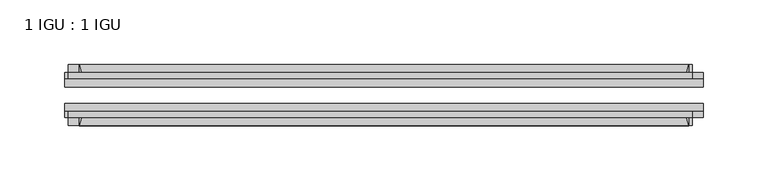
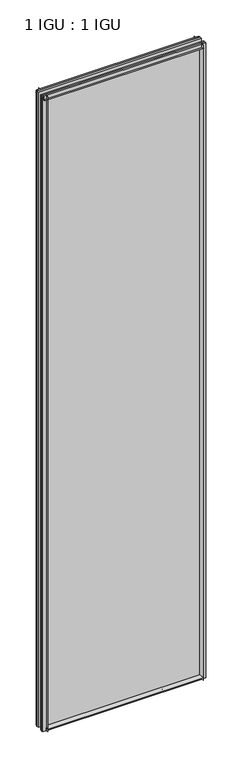
"""IFC4 building model written with IfcOpenShell, lengths in millimetres: plate geometry, 1 IGU : 1 IGU."""

from ifc_helpers import new_model, si_unit, point, frame, frame_2d, origin, place, context, project, spatial, polyline, circle_curve, trimmed, segment, composite_curve, outline, extrude, source, transform, mapped, element, save


def plate_1_igu_1_igu_47f07b1e(model_context):
    return source(origin(), model_context, "Body", "SweptSolid", [
        extrude(outline(composite_curve([segment(polyline([(-74.6252, -8.73125), (-74.6252, -0.0097454), (-80.6504332, -0.0097454)]), True, "CONTINUOUS"), segment(trimmed(circle_curve(frame_2d((-86.2258203, 32.2797688)), 32.7673262), [point((-80.6504332, -0.0097454))], [point((-69.85, 3.8979053))], True, "CARTESIAN"), True, "CONTINUOUS"), segment(polyline([(-69.85, 3.8979053), (-69.85, -8.73125), (-74.6252, -8.73125)]), True, "CONTINUOUS")], self_intersect=False)), frame((-234.95, 0.0, 0.0), z_axis=(1.0, 0.0, 0.0), x_axis=(0.0, 1.0, 0.0)), (0.0, 0.0, 1.0), 469.9),
        extrude(outline(composite_curve([segment(polyline([(-39.6748, -8.73125), (-44.45, -8.73125), (-44.45, 3.8979053)]), True, "CONTINUOUS"), segment(trimmed(circle_curve(frame_2d((-28.0741797, 32.2797688)), 32.7673262), [point((-44.45, 3.8979053))], [point((-33.6495668, -0.0097454))], True, "CARTESIAN"), True, "CONTINUOUS"), segment(polyline([(-33.6495668, -0.0097454), (-39.6748, -0.0097454), (-39.6748, -8.73125)]), True, "CONTINUOUS")], self_intersect=False)), frame((-234.95, 0.0, 0.0), z_axis=(1.0, 0.0, 0.0), x_axis=(0.0, 1.0, 0.0)), (0.0, 0.0, 1.0), 469.9),
        extrude(outline(composite_curve([segment(polyline([(-80.5942, 2008.98125), (-74.6252, 2008.98125), (-74.6252, 2020.09375), (-69.85, 2020.09375), (-69.85, 2005.0833595)]), True, "CONTINUOUS"), segment(trimmed(circle_curve(frame_2d((-86.2258203, 1976.701496)), 32.7673262), [point((-69.85, 2005.0833595))], [point((-80.5942, 2008.98125))], True, "CARTESIAN"), True, "CONTINUOUS")], self_intersect=False)), frame((-243.4627386, 0.0, 0.0), z_axis=(1.0, 0.0, 0.0), x_axis=(0.0, 1.0, 0.0)), (0.0, 0.0, 1.0), 480.9587001),
        extrude(outline(composite_curve([segment(polyline([(-39.6748, 2020.09375), (-39.6748, 2008.98125), (-33.7058, 2008.98125)]), True, "CONTINUOUS"), segment(trimmed(circle_curve(frame_2d((-28.0741797, 1976.701496)), 32.7673262), [point((-33.7058, 2008.98125))], [point((-44.45, 2005.0833595))], True, "CARTESIAN"), True, "CONTINUOUS"), segment(polyline([(-44.45, 2005.0833595), (-44.45, 2020.09375), (-39.6748, 2020.09375)]), True, "CONTINUOUS")], self_intersect=False)), frame((-243.4627386, 0.0, 0.0), z_axis=(1.0, 0.0, 0.0), x_axis=(0.0, 1.0, 0.0)), (0.0, 0.0, 1.0), 480.9587001),
        extrude(outline(composite_curve([segment(polyline([(246.0625, -39.6748), (246.0625, -44.45), (231.0521095, -44.45)]), True, "CONTINUOUS"), segment(trimmed(circle_curve(frame_2d((202.670246, -28.0741797)), 32.7673262), [point((231.0521095, -44.45))], [point((234.95, -33.7058))], True, "CARTESIAN"), True, "CONTINUOUS"), segment(polyline([(234.95, -33.7058), (234.95, -39.6748), (246.0625, -39.6748)]), True, "CONTINUOUS")], self_intersect=False)), frame((0.0, 0.0, -8.73125), z_axis=(0.0, 0.0, 1.0), x_axis=(1.0, 0.0, 0.0)), (0.0, 0.0, 1.0), 2028.825),
        extrude(outline(composite_curve([segment(polyline([(246.0625, -69.85), (246.0625, -74.6252), (234.95, -74.6252), (234.95, -80.5942)]), True, "CONTINUOUS"), segment(trimmed(circle_curve(frame_2d((202.670246, -86.2258203)), 32.7673262), [point((234.95, -80.5942))], [point((231.0521095, -69.85))], True, "CARTESIAN"), True, "CONTINUOUS"), segment(polyline([(231.0521095, -69.85), (246.0625, -69.85)]), True, "CONTINUOUS")], self_intersect=False)), frame((0.0, 0.0, -8.73125), z_axis=(0.0, 0.0, 1.0), x_axis=(1.0, 0.0, 0.0)), (0.0, 0.0, 1.0), 2028.825),
        extrude(outline(composite_curve([segment(polyline([(-246.0625, -39.6748), (-234.95, -39.6748), (-234.95, -33.7058)]), True, "CONTINUOUS"), segment(trimmed(circle_curve(frame_2d((-202.670246, -28.0741797)), 32.7673262), [point((-234.95, -33.7058))], [point((-231.0521095, -44.45))], True, "CARTESIAN"), True, "CONTINUOUS"), segment(polyline([(-231.0521095, -44.45), (-246.0625, -44.45), (-246.0625, -39.6748)]), True, "CONTINUOUS")], self_intersect=False)), frame((0.0, 0.0, -8.73125), z_axis=(0.0, 0.0, 1.0), x_axis=(1.0, 0.0, 0.0)), (0.0, 0.0, 1.0), 2028.825),
        extrude(outline(composite_curve([segment(polyline([(-246.0625, -74.6252), (-246.0625, -69.85), (-231.0521095, -69.85)]), True, "CONTINUOUS"), segment(trimmed(circle_curve(frame_2d((-202.670246, -86.2258203)), 32.7673262), [point((-231.0521095, -69.85))], [point((-234.95, -80.5942))], True, "CARTESIAN"), True, "CONTINUOUS"), segment(polyline([(-234.95, -80.5942), (-234.95, -74.6252), (-246.0625, -74.6252)]), True, "CONTINUOUS")], self_intersect=False)), frame((0.0, 0.0, -8.73125), z_axis=(0.0, 0.0, 1.0), x_axis=(1.0, 0.0, 0.0)), (0.0, 0.0, 1.0), 2028.825),
        extrude(outline(polyline([(-246.0625, -69.85), (-246.0625, -63.5508), (246.0625, -63.5508), (246.0625, -69.85), (-246.0625, -69.85)])), frame((0.0, 0.0, -8.73125), z_axis=(0.0, 0.0, 1.0), x_axis=(1.0, 0.0, 0.0)), (0.0, 0.0, 1.0), 2028.825),
        extrude(outline(polyline([(246.0625, -50.7492), (-246.0625, -50.7492), (-246.0625, -44.45), (246.0625, -44.45), (246.0625, -50.7492)])), frame((0.0, 0.0, -8.73125), z_axis=(0.0, 0.0, 1.0), x_axis=(1.0, 0.0, 0.0)), (0.0, 0.0, 1.0), 2028.825),
    ])


if __name__ == "__main__":
    model = new_model("IFC4")
    model_context = context("Model", 3, world=origin())
    ifc_project = project(units=[si_unit("LENGTHUNIT", "METRE", prefix="MILLI")], contexts=[model_context])
    site = spatial("IfcSite", under=ifc_project)
    building = spatial("IfcBuilding", under=site)
    placement = place(None, origin())
    plate_1_igu_1_igu_shape = plate_1_igu_1_igu_47f07b1e(model_context)
    element("IfcPlate", 1, ObjectType="1 IGU : 1 IGU", at=placement, inside=building, context=model_context, shape_type="MappedRepresentation", body=[
        mapped(plate_1_igu_1_igu_shape, transform((0.0, 0.0, 0.0), x_axis=(1.0, 0.0, 0.0), y_axis=(0.0, 1.0, 0.0), z_axis=(0.0, 0.0, 1.0))),
    ])
    save(model, "model.ifc")
